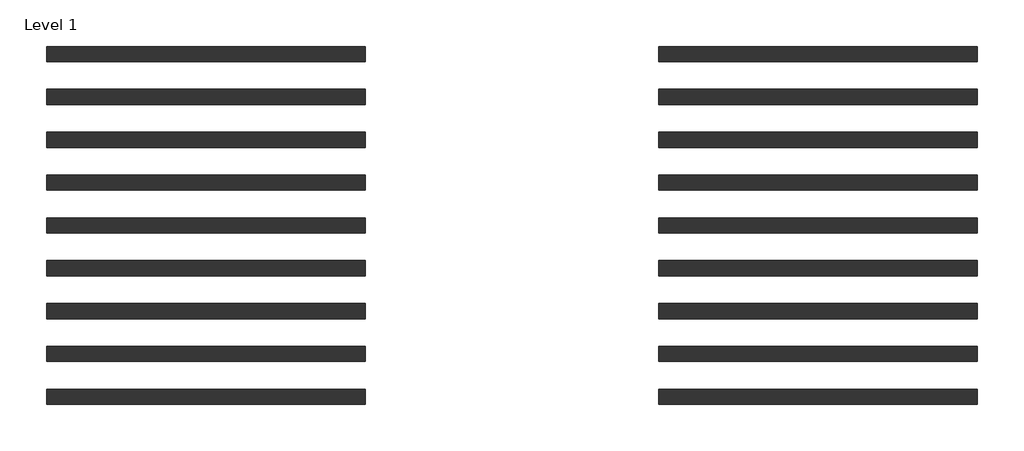
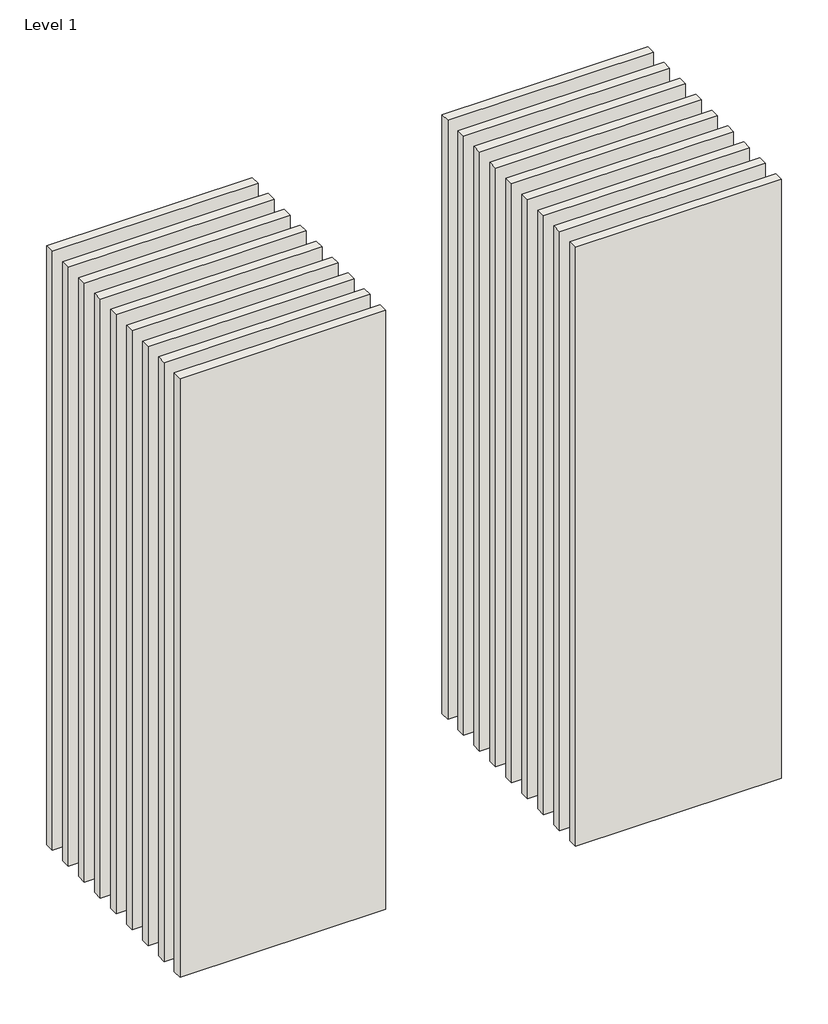
# One storey: 18 walls.
"""IFC4 building model written with IfcOpenShell, lengths in millimetres."""

import ifcopenshell
import ifcopenshell.guid

model = None  # the IFC model being written
_history = None  # IfcOwnerHistory: only IFC2X3 demands one
_inside = {}  # id of a spatial element -> (the spatial element, [elements in it])
_under = {}  # id of a project, library or spatial element -> (it, [spatial elements below it])
_declared = {}  # id of a project -> (the project, [libraries it declares])
_typed = {}  # id of a type object -> (the type object, [elements of that type])
_made_of = {}  # id of a material, layer set ... -> (it, [elements and type objects made of it])


def new_model(schema):
    """Start an empty IFC model of exactly this schema.

    Asked for "IFC4X3", IfcOpenShell would pick the latest addendum, in which some entities
    have other attributes; the version numbers below select the first issue.
    IFC2X3 requires an IfcOwnerHistory on every rooted entity: one is made here for all.
    """
    global model, _history
    if schema == "IFC4X3":
        model = ifcopenshell.file(schema_version=(4, 3, 0, 0))
    else:
        model = ifcopenshell.file(schema=schema)
    _inside.clear()
    _under.clear()
    _declared.clear()
    _typed.clear()
    _made_of.clear()
    _history = None
    if model.schema == "IFC2X3":
        org = make("IfcOrganization", Name="unknown")
        user = make(
            "IfcPersonAndOrganization",
            ThePerson=make("IfcPerson", FamilyName="unknown"),
            TheOrganization=org,
        )
        app = make(
            "IfcApplication",
            ApplicationDeveloper=org,
            Version="unknown",
            ApplicationFullName="unknown",
            ApplicationIdentifier="unknown",
        )
        _history = make(
            "IfcOwnerHistory",
            OwningUser=user,
            OwningApplication=app,
            ChangeAction="ADDED",
            CreationDate=0,
        )
    return model


def make(cls, **values):
    """One entity of the class cls with the attributes given. An attribute that is None is left unset."""
    return model.create_entity(
        cls, **{name: value for name, value in values.items() if value is not None}
    )


def rooted(cls, **values):
    """An entity with a GlobalId (a new one), such as an element, a storey or a relation."""
    return make(cls, GlobalId=ifcopenshell.guid.new(), OwnerHistory=_history, **values)


def si_unit(unit_type, name, prefix=None):
    """IfcSIUnit, for example si_unit("LENGTHUNIT", "METRE", prefix="MILLI")."""
    return make("IfcSIUnit", UnitType=unit_type, Prefix=prefix, Name=name)


def assignment(units):
    """IfcUnitAssignment: the units of a project."""
    return None if units is None else make("IfcUnitAssignment", Units=units)


def point(xyz):
    """IfcCartesianPoint."""
    return None if xyz is None else make("IfcCartesianPoint", Coordinates=xyz)


def direction(xyz):
    """IfcDirection."""
    return None if xyz is None else make("IfcDirection", DirectionRatios=xyz)


def frame(location, z_axis=None, x_axis=None):
    """IfcAxis2Placement3D, a coordinate frame: its origin and axes. An axis left out is left unset."""
    return make(
        "IfcAxis2Placement3D",
        Location=point(location),
        Axis=direction(z_axis),
        RefDirection=direction(x_axis),
    )


def origin():
    """The frame at (0, 0, 0) with its axes left unset."""
    return frame((0.0, 0.0, 0.0))


def origin_with_axes():
    """The frame at (0, 0, 0) with the z axis (0, 0, 1) and the x axis (1, 0, 0) written out."""
    return frame((0.0, 0.0, 0.0), z_axis=(0.0, 0.0, 1.0), x_axis=(1.0, 0.0, 0.0))


def place(relative_to, where):
    """IfcLocalPlacement: puts the frame where relative to a parent placement (None: the world)."""
    return make(
        "IfcLocalPlacement", PlacementRelTo=relative_to, RelativePlacement=where
    )


def context(
    kind, dimensions, precision=None, world=None, true_north=None, identifier=None
):
    """IfcGeometricRepresentationContext, for example the 3D "Model" context."""
    return make(
        "IfcGeometricRepresentationContext",
        ContextIdentifier=identifier,
        ContextType=kind,
        CoordinateSpaceDimension=dimensions,
        Precision=precision,
        WorldCoordinateSystem=world,
        TrueNorth=true_north,
    )


def project(units=None, contexts=None):
    """IfcProject with its units and contexts."""
    return rooted(
        "IfcProject",
        Name="project",
        RepresentationContexts=contexts,
        UnitsInContext=assignment(units),
    )


def spatial(cls, under=None, at=None, **own):
    """A site, building, storey or space (cls), placed at a placement, below another one or the project."""
    s = rooted(cls, ObjectPlacement=at, **own)
    if under is not None:
        _under.setdefault(under.id(), (under, []))[1].append(s)
    return s


def polyline(points):
    """IfcPolyline through the points."""
    return make("IfcPolyline", Points=[point(p) for p in points])


def outline(outer, holes=None, kind="AREA"):
    """IfcArbitraryClosedProfileDef: a profile drawn as a closed curve; with holes, ...WithVoids."""
    if holes is None:
        return make("IfcArbitraryClosedProfileDef", ProfileType=kind, OuterCurve=outer)
    return make(
        "IfcArbitraryProfileDefWithVoids",
        ProfileType=kind,
        OuterCurve=outer,
        InnerCurves=holes,
    )


def extrude(swept, where, along, depth):
    """IfcExtrudedAreaSolid: the profile swept, set in the frame where, extruded along a direction by depth."""
    return make(
        "IfcExtrudedAreaSolid",
        SweptArea=swept,
        Position=where,
        ExtrudedDirection=direction(along),
        Depth=depth,
    )


def shape(context_of_items, identifier, shape_type, items):
    """IfcShapeRepresentation: the items that make up one representation, for example the "Body"."""
    return make(
        "IfcShapeRepresentation",
        ContextOfItems=context_of_items,
        RepresentationIdentifier=identifier,
        RepresentationType=shape_type,
        Items=items,
    )


def made_of(thing, what):
    """Note that an element or type object is made of a material, layer set ...; save() writes the relation."""
    if what is not None:
        _made_of.setdefault(what.id(), (what, []))[1].append(thing)
    return thing


def element(
    cls,
    number,
    at=None,
    inside=None,
    cuts=None,
    type_object=None,
    material=None,
    context=None,
    identifier="Body",
    shape_type=None,
    held_by="IfcProductDefinitionShape",
    body=None,
    shapes=None,
    **own,
):
    """One element of the class cls, such as IfcWall. Its Tag is "e" and its number.

    at: its placement. inside: the storey or other place that contains it. cuts: it is an
    opening in that element (IfcRelVoidsElement). A single representation is given by context,
    identifier, shape_type and body (its items); several are given by shapes. held_by: the class
    of the entity that holds the representations. save() writes the other relations.
    """
    e = rooted(cls, Tag="e%d" % number, ObjectPlacement=at, **own)
    if body is not None:
        shapes = [shape(context, identifier, shape_type, body)]
    if shapes is not None:
        e.Representation = make(held_by, Representations=shapes)
    if inside is not None:
        _inside.setdefault(inside.id(), (inside, []))[1].append(e)
    if cuts is not None:
        rooted(
            "IfcRelVoidsElement", RelatingBuildingElement=cuts, RelatedOpeningElement=e
        )
    if type_object is not None:
        _typed.setdefault(type_object.id(), (type_object, []))[1].append(e)
    return made_of(e, material)


def aggregate(whole, parts):
    """IfcRelAggregates: a whole, such as a stair, and the parts it consists of."""
    return rooted("IfcRelAggregates", RelatingObject=whole, RelatedObjects=parts)


def save(model, path):
    """Write the relations noted so far, then the file.

    IfcRelAggregates (storeys below a building ...), IfcRelContainedInSpatialStructure (elements
    in a storey), IfcRelDefinesByType, IfcRelAssociatesMaterial and IfcRelDeclares: one each for
    every whole, place, type object, material and project.
    """
    for whole, parts in _under.values():
        aggregate(whole, parts)
    for where, things in _inside.values():
        rooted(
            "IfcRelContainedInSpatialStructure",
            RelatedElements=things,
            RelatingStructure=where,
        )
    for kind, things in _typed.values():
        rooted("IfcRelDefinesByType", RelatedObjects=things, RelatingType=kind)
    for what, things in _made_of.values():
        rooted("IfcRelAssociatesMaterial", RelatedObjects=things, RelatingMaterial=what)
    for by, libraries in _declared.values():
        rooted("IfcRelDeclares", RelatingContext=by, RelatedDefinitions=libraries)
    model.write(path)


model = new_model("IFC4")

# Units and contexts
model_context = context("Model", 3, world=origin())
ifc_project = project(units=[si_unit("LENGTHUNIT", "METRE", prefix="MILLI")], contexts=[model_context])

# Site, building, storey
site = spatial("IfcSite", under=ifc_project)
building = spatial("IfcBuilding", under=site)
storey = spatial("IfcBuildingStorey", under=building, Name="Level 1", Elevation=0.0)

# Walls
placement = place(None, origin())
element("IfcWall", 1, at=placement, inside=storey, context=model_context, shape_type="SweptSolid", body=[
    extrude(outline(polyline([(-16904.1464237, 3675.0198817), (-19504.1464237, 3675.0198817), (-19504.1464237, 3800.0198817), (-16904.1464237, 3800.0198817), (-16904.1464237, 3675.0198817)])), origin_with_axes(), (0.0, 0.0, 1.0), 8000.0),
])
element("IfcWall", 2, at=placement, inside=storey, context=model_context, shape_type="SweptSolid", body=[
    extrude(outline(polyline([(-16904.1464237, 3325.0198817), (-19504.1464237, 3325.0198817), (-19504.1464237, 3450.0198817), (-16904.1464237, 3450.0198817), (-16904.1464237, 3325.0198817)])), origin_with_axes(), (0.0, 0.0, 1.0), 8000.0),
])
element("IfcWall", 3, at=placement, inside=storey, context=model_context, shape_type="SweptSolid", body=[
    extrude(outline(polyline([(-16904.1464237, 2975.0198817), (-19504.1464237, 2975.0198817), (-19504.1464237, 3100.0198817), (-16904.1464237, 3100.0198817), (-16904.1464237, 2975.0198817)])), origin_with_axes(), (0.0, 0.0, 1.0), 8000.0),
])
element("IfcWall", 4, at=placement, inside=storey, context=model_context, shape_type="SweptSolid", body=[
    extrude(outline(polyline([(-16904.1464237, 2625.0198817), (-19504.1464237, 2625.0198817), (-19504.1464237, 2750.0198817), (-16904.1464237, 2750.0198817), (-16904.1464237, 2625.0198817)])), origin_with_axes(), (0.0, 0.0, 1.0), 8000.0),
])
element("IfcWall", 5, at=placement, inside=storey, context=model_context, shape_type="SweptSolid", body=[
    extrude(outline(polyline([(-16904.1464237, 2275.0198817), (-19504.1464237, 2275.0198817), (-19504.1464237, 2400.0198817), (-16904.1464237, 2400.0198817), (-16904.1464237, 2275.0198817)])), origin_with_axes(), (0.0, 0.0, 1.0), 8000.0),
])
element("IfcWall", 6, at=placement, inside=storey, context=model_context, shape_type="SweptSolid", body=[
    extrude(outline(polyline([(-16904.1464237, 1925.0198817), (-19504.1464237, 1925.0198817), (-19504.1464237, 2050.0198817), (-16904.1464237, 2050.0198817), (-16904.1464237, 1925.0198817)])), origin_with_axes(), (0.0, 0.0, 1.0), 8000.0),
])
element("IfcWall", 7, at=placement, inside=storey, context=model_context, shape_type="SweptSolid", body=[
    extrude(outline(polyline([(-16904.1464237, 1575.0198817), (-19504.1464237, 1575.0198817), (-19504.1464237, 1700.0198817), (-16904.1464237, 1700.0198817), (-16904.1464237, 1575.0198817)])), origin_with_axes(), (0.0, 0.0, 1.0), 8000.0),
])
element("IfcWall", 8, at=placement, inside=storey, context=model_context, shape_type="SweptSolid", body=[
    extrude(outline(polyline([(-16904.1464237, 1225.0198817), (-19504.1464237, 1225.0198817), (-19504.1464237, 1350.0198817), (-16904.1464237, 1350.0198817), (-16904.1464237, 1225.0198817)])), origin_with_axes(), (0.0, 0.0, 1.0), 8000.0),
])
element("IfcWall", 9, at=placement, inside=storey, context=model_context, shape_type="SweptSolid", body=[
    extrude(outline(polyline([(-16904.1464237, 875.0198817), (-19504.1464237, 875.0198817), (-19504.1464237, 1000.0198817), (-16904.1464237, 1000.0198817), (-16904.1464237, 875.0198817)])), origin_with_axes(), (0.0, 0.0, 1.0), 8000.0),
])
element("IfcWall", 10, at=placement, inside=storey, context=model_context, shape_type="SweptSolid", body=[
    extrude(outline(polyline([(-11904.1464237, 3675.0198817), (-14504.1464237, 3675.0198817), (-14504.1464237, 3800.0198817), (-11904.1464237, 3800.0198817), (-11904.1464237, 3675.0198817)])), origin_with_axes(), (0.0, 0.0, 1.0), 8000.0),
])
element("IfcWall", 11, at=placement, inside=storey, context=model_context, shape_type="SweptSolid", body=[
    extrude(outline(polyline([(-11904.1464237, 3325.0198817), (-14504.1464237, 3325.0198817), (-14504.1464237, 3450.0198817), (-11904.1464237, 3450.0198817), (-11904.1464237, 3325.0198817)])), origin_with_axes(), (0.0, 0.0, 1.0), 8000.0),
])
element("IfcWall", 12, at=placement, inside=storey, context=model_context, shape_type="SweptSolid", body=[
    extrude(outline(polyline([(-11904.1464237, 2975.0198817), (-14504.1464237, 2975.0198817), (-14504.1464237, 3100.0198817), (-11904.1464237, 3100.0198817), (-11904.1464237, 2975.0198817)])), origin_with_axes(), (0.0, 0.0, 1.0), 8000.0),
])
element("IfcWall", 13, at=placement, inside=storey, context=model_context, shape_type="SweptSolid", body=[
    extrude(outline(polyline([(-11904.1464237, 2625.0198817), (-14504.1464237, 2625.0198817), (-14504.1464237, 2750.0198817), (-11904.1464237, 2750.0198817), (-11904.1464237, 2625.0198817)])), origin_with_axes(), (0.0, 0.0, 1.0), 8000.0),
])
element("IfcWall", 14, at=placement, inside=storey, context=model_context, shape_type="SweptSolid", body=[
    extrude(outline(polyline([(-11904.1464237, 2275.0198817), (-14504.1464237, 2275.0198817), (-14504.1464237, 2400.0198817), (-11904.1464237, 2400.0198817), (-11904.1464237, 2275.0198817)])), origin_with_axes(), (0.0, 0.0, 1.0), 8000.0),
])
element("IfcWall", 15, at=placement, inside=storey, context=model_context, shape_type="SweptSolid", body=[
    extrude(outline(polyline([(-11904.1464237, 1925.0198817), (-14504.1464237, 1925.0198817), (-14504.1464237, 2050.0198817), (-11904.1464237, 2050.0198817), (-11904.1464237, 1925.0198817)])), origin_with_axes(), (0.0, 0.0, 1.0), 8000.0),
])
element("IfcWall", 16, at=placement, inside=storey, context=model_context, shape_type="SweptSolid", body=[
    extrude(outline(polyline([(-11904.1464237, 1575.0198817), (-14504.1464237, 1575.0198817), (-14504.1464237, 1700.0198817), (-11904.1464237, 1700.0198817), (-11904.1464237, 1575.0198817)])), origin_with_axes(), (0.0, 0.0, 1.0), 8000.0),
])
element("IfcWall", 17, at=placement, inside=storey, context=model_context, shape_type="SweptSolid", body=[
    extrude(outline(polyline([(-11904.1464237, 1225.0198817), (-14504.1464237, 1225.0198817), (-14504.1464237, 1350.0198817), (-11904.1464237, 1350.0198817), (-11904.1464237, 1225.0198817)])), origin_with_axes(), (0.0, 0.0, 1.0), 8000.0),
])
element("IfcWall", 18, at=placement, inside=storey, context=model_context, shape_type="SweptSolid", body=[
    extrude(outline(polyline([(-11904.1464237, 875.0198817), (-14504.1464237, 875.0198817), (-14504.1464237, 1000.0198817), (-11904.1464237, 1000.0198817), (-11904.1464237, 875.0198817)])), origin_with_axes(), (0.0, 0.0, 1.0), 8000.0),
])

save(model, "model.ifc")
